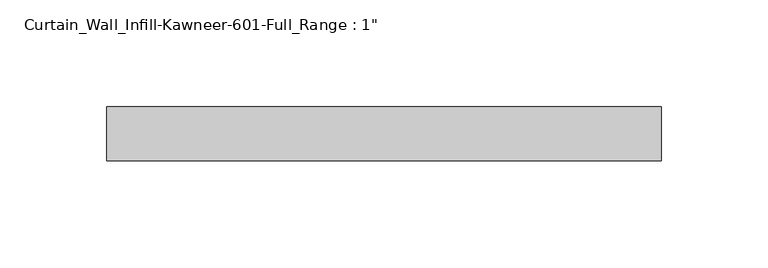
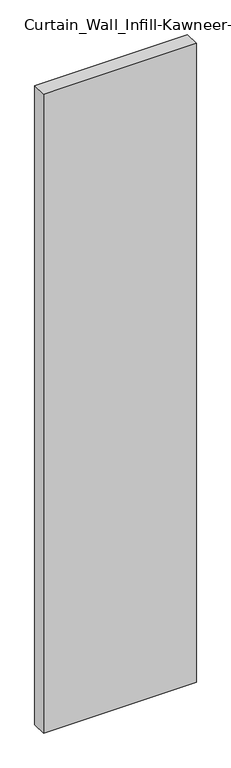
"""IFC4 building model written with IfcOpenShell, lengths in millimetres: plate geometry."""

import ifcopenshell
import ifcopenshell.guid

model = None  # the IFC model being written
_history = None  # IfcOwnerHistory: only IFC2X3 demands one
_inside = {}  # id of a spatial element -> (the spatial element, [elements in it])
_under = {}  # id of a project, library or spatial element -> (it, [spatial elements below it])
_declared = {}  # id of a project -> (the project, [libraries it declares])
_typed = {}  # id of a type object -> (the type object, [elements of that type])
_made_of = {}  # id of a material, layer set ... -> (it, [elements and type objects made of it])


def new_model(schema):
    """Start an empty IFC model of exactly this schema.

    Asked for "IFC4X3", IfcOpenShell would pick the latest addendum, in which some entities
    have other attributes; the version numbers below select the first issue.
    IFC2X3 requires an IfcOwnerHistory on every rooted entity: one is made here for all.
    """
    global model, _history
    if schema == "IFC4X3":
        model = ifcopenshell.file(schema_version=(4, 3, 0, 0))
    else:
        model = ifcopenshell.file(schema=schema)
    _inside.clear()
    _under.clear()
    _declared.clear()
    _typed.clear()
    _made_of.clear()
    _history = None
    if model.schema == "IFC2X3":
        org = make("IfcOrganization", Name="unknown")
        user = make(
            "IfcPersonAndOrganization",
            ThePerson=make("IfcPerson", FamilyName="unknown"),
            TheOrganization=org,
        )
        app = make(
            "IfcApplication",
            ApplicationDeveloper=org,
            Version="unknown",
            ApplicationFullName="unknown",
            ApplicationIdentifier="unknown",
        )
        _history = make(
            "IfcOwnerHistory",
            OwningUser=user,
            OwningApplication=app,
            ChangeAction="ADDED",
            CreationDate=0,
        )
    return model


def make(cls, **values):
    """One entity of the class cls with the attributes given. An attribute that is None is left unset."""
    return model.create_entity(
        cls, **{name: value for name, value in values.items() if value is not None}
    )


def rooted(cls, **values):
    """An entity with a GlobalId (a new one), such as an element, a storey or a relation."""
    return make(cls, GlobalId=ifcopenshell.guid.new(), OwnerHistory=_history, **values)


def si_unit(unit_type, name, prefix=None):
    """IfcSIUnit, for example si_unit("LENGTHUNIT", "METRE", prefix="MILLI")."""
    return make("IfcSIUnit", UnitType=unit_type, Prefix=prefix, Name=name)


def assignment(units):
    """IfcUnitAssignment: the units of a project."""
    return None if units is None else make("IfcUnitAssignment", Units=units)


def point(xyz):
    """IfcCartesianPoint."""
    return None if xyz is None else make("IfcCartesianPoint", Coordinates=xyz)


def direction(xyz):
    """IfcDirection."""
    return None if xyz is None else make("IfcDirection", DirectionRatios=xyz)


def frame(location, z_axis=None, x_axis=None):
    """IfcAxis2Placement3D, a coordinate frame: its origin and axes. An axis left out is left unset."""
    return make(
        "IfcAxis2Placement3D",
        Location=point(location),
        Axis=direction(z_axis),
        RefDirection=direction(x_axis),
    )


def origin():
    """The frame at (0, 0, 0) with its axes left unset."""
    return frame((0.0, 0.0, 0.0))


def origin_with_axes():
    """The frame at (0, 0, 0) with the z axis (0, 0, 1) and the x axis (1, 0, 0) written out."""
    return frame((0.0, 0.0, 0.0), z_axis=(0.0, 0.0, 1.0), x_axis=(1.0, 0.0, 0.0))


def place(relative_to, where):
    """IfcLocalPlacement: puts the frame where relative to a parent placement (None: the world)."""
    return make(
        "IfcLocalPlacement", PlacementRelTo=relative_to, RelativePlacement=where
    )


def context(
    kind, dimensions, precision=None, world=None, true_north=None, identifier=None
):
    """IfcGeometricRepresentationContext, for example the 3D "Model" context."""
    return make(
        "IfcGeometricRepresentationContext",
        ContextIdentifier=identifier,
        ContextType=kind,
        CoordinateSpaceDimension=dimensions,
        Precision=precision,
        WorldCoordinateSystem=world,
        TrueNorth=true_north,
    )


def project(units=None, contexts=None):
    """IfcProject with its units and contexts."""
    return rooted(
        "IfcProject",
        Name="project",
        RepresentationContexts=contexts,
        UnitsInContext=assignment(units),
    )


def spatial(cls, under=None, at=None, **own):
    """A site, building, storey or space (cls), placed at a placement, below another one or the project."""
    s = rooted(cls, ObjectPlacement=at, **own)
    if under is not None:
        _under.setdefault(under.id(), (under, []))[1].append(s)
    return s


def polyline(points):
    """IfcPolyline through the points."""
    return make("IfcPolyline", Points=[point(p) for p in points])


def outline(outer, holes=None, kind="AREA"):
    """IfcArbitraryClosedProfileDef: a profile drawn as a closed curve; with holes, ...WithVoids."""
    if holes is None:
        return make("IfcArbitraryClosedProfileDef", ProfileType=kind, OuterCurve=outer)
    return make(
        "IfcArbitraryProfileDefWithVoids",
        ProfileType=kind,
        OuterCurve=outer,
        InnerCurves=holes,
    )


def extrude(swept, where, along, depth):
    """IfcExtrudedAreaSolid: the profile swept, set in the frame where, extruded along a direction by depth."""
    return make(
        "IfcExtrudedAreaSolid",
        SweptArea=swept,
        Position=where,
        ExtrudedDirection=direction(along),
        Depth=depth,
    )


def shape(context_of_items, identifier, shape_type, items):
    """IfcShapeRepresentation: the items that make up one representation, for example the "Body"."""
    return make(
        "IfcShapeRepresentation",
        ContextOfItems=context_of_items,
        RepresentationIdentifier=identifier,
        RepresentationType=shape_type,
        Items=items,
    )


def source(mapping_origin, context_of_items, identifier, shape_type, items):
    """IfcRepresentationMap: a shape defined once, which mapped items show again and again."""
    return make(
        "IfcRepresentationMap",
        MappingOrigin=mapping_origin,
        MappedRepresentation=shape(context_of_items, identifier, shape_type, items),
    )


def transform(
    local_origin,
    x_axis=None,
    y_axis=None,
    z_axis=None,
    scale=None,
    scale2=None,
    scale3=None,
    uniform=True,
):
    """IfcCartesianTransformationOperator3D, or its non-uniform kind. x_axis, y_axis, z_axis: its Axis1, 2, 3."""
    if uniform:
        return make(
            "IfcCartesianTransformationOperator3D",
            Axis1=direction(x_axis),
            Axis2=direction(y_axis),
            LocalOrigin=point(local_origin),
            Scale=scale,
            Axis3=direction(z_axis),
        )
    return make(
        "IfcCartesianTransformationOperator3DnonUniform",
        Axis1=direction(x_axis),
        Axis2=direction(y_axis),
        LocalOrigin=point(local_origin),
        Scale=scale,
        Axis3=direction(z_axis),
        Scale2=scale2,
        Scale3=scale3,
    )


def mapped(mapping_source, mapping_target):
    """IfcMappedItem: shows the shape of a source again, moved by a transform."""
    return make(
        "IfcMappedItem", MappingSource=mapping_source, MappingTarget=mapping_target
    )


def made_of(thing, what):
    """Note that an element or type object is made of a material, layer set ...; save() writes the relation."""
    if what is not None:
        _made_of.setdefault(what.id(), (what, []))[1].append(thing)
    return thing


def element(
    cls,
    number,
    at=None,
    inside=None,
    cuts=None,
    type_object=None,
    material=None,
    context=None,
    identifier="Body",
    shape_type=None,
    held_by="IfcProductDefinitionShape",
    body=None,
    shapes=None,
    **own,
):
    """One element of the class cls, such as IfcWall. Its Tag is "e" and its number.

    at: its placement. inside: the storey or other place that contains it. cuts: it is an
    opening in that element (IfcRelVoidsElement). A single representation is given by context,
    identifier, shape_type and body (its items); several are given by shapes. held_by: the class
    of the entity that holds the representations. save() writes the other relations.
    """
    e = rooted(cls, Tag="e%d" % number, ObjectPlacement=at, **own)
    if body is not None:
        shapes = [shape(context, identifier, shape_type, body)]
    if shapes is not None:
        e.Representation = make(held_by, Representations=shapes)
    if inside is not None:
        _inside.setdefault(inside.id(), (inside, []))[1].append(e)
    if cuts is not None:
        rooted(
            "IfcRelVoidsElement", RelatingBuildingElement=cuts, RelatedOpeningElement=e
        )
    if type_object is not None:
        _typed.setdefault(type_object.id(), (type_object, []))[1].append(e)
    return made_of(e, material)


def aggregate(whole, parts):
    """IfcRelAggregates: a whole, such as a stair, and the parts it consists of."""
    return rooted("IfcRelAggregates", RelatingObject=whole, RelatedObjects=parts)


def save(model, path):
    """Write the relations noted so far, then the file.

    IfcRelAggregates (storeys below a building ...), IfcRelContainedInSpatialStructure (elements
    in a storey), IfcRelDefinesByType, IfcRelAssociatesMaterial and IfcRelDeclares: one each for
    every whole, place, type object, material and project.
    """
    for whole, parts in _under.values():
        aggregate(whole, parts)
    for where, things in _inside.values():
        rooted(
            "IfcRelContainedInSpatialStructure",
            RelatedElements=things,
            RelatingStructure=where,
        )
    for kind, things in _typed.values():
        rooted("IfcRelDefinesByType", RelatedObjects=things, RelatingType=kind)
    for what, things in _made_of.values():
        rooted("IfcRelAssociatesMaterial", RelatedObjects=things, RelatingMaterial=what)
    for by, libraries in _declared.values():
        rooted("IfcRelDeclares", RelatingContext=by, RelatedDefinitions=libraries)
    model.write(path)


def plate_99c2a58d(model_context):
    return source(origin(), model_context, "Body", "SweptSolid", [
        extrude(outline(polyline([(-130.175, 12.7), (130.175, 12.7), (130.175, -12.7), (-130.175, -12.7), (-130.175, 12.7)])), origin_with_axes(), (0.0, 0.0, 1.0), 1149.35),
    ])


if __name__ == "__main__":
    model = new_model("IFC4")
    model_context = context("Model", 3, world=origin())
    ifc_project = project(units=[si_unit("LENGTHUNIT", "METRE", prefix="MILLI")], contexts=[model_context])
    site = spatial("IfcSite", under=ifc_project)
    building = spatial("IfcBuilding", under=site)
    placement = place(None, origin())
    plate_shape = plate_99c2a58d(model_context)
    element("IfcPlate", 1, ObjectType="Curtain_Wall_Infill-Kawneer-601-Full_Range : 1\"", at=placement, inside=building, context=model_context, shape_type="MappedRepresentation", body=[
        mapped(plate_shape, transform((0.0, 0.0, 0.0), x_axis=(1.0, 0.0, 0.0), y_axis=(0.0, 1.0, 0.0), z_axis=(0.0, 0.0, 1.0))),
    ])
    save(model, "model.ifc")
